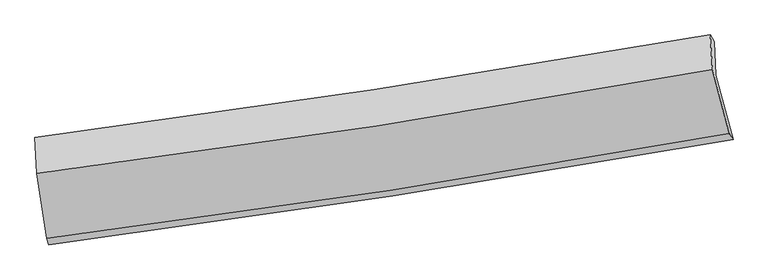
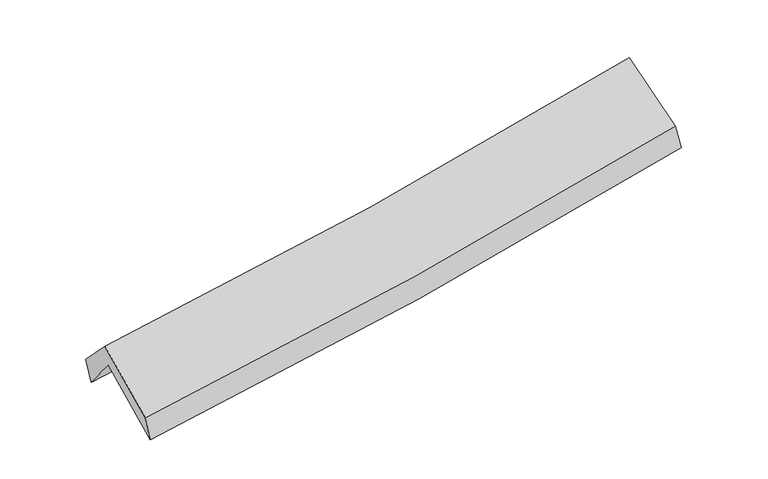
"""IFC4 building model written with IfcOpenShell, lengths in millimetres: proxy geometry."""

from ifc_helpers import new_model, si_unit, frame, origin, place, context, project, spatial, source, transform, mapped, element, save
from ifc_brep_helpers import plane_surface, spline_curve, spline_surface, advanced_brep


def generic_models_077eb288(model_context):
    return source(origin(), model_context, "Body", "AdvancedBrep", [
        advanced_brep(
        [(-2538.8898775, -2487.2467768, 1480.7630482), (-2617.4061624, -1969.1745928, 1904.6563461), (2550.6750724, -1186.5989637, 2362.9418898), (2684.5321885, -1681.9158498, 1933.45822), (-2627.456071, -1724.8435047, 1592.7750322), (2540.8758191, -934.3692839, 2041.6253316), (-2643.8924846, -1666.502895, 1784.5779376), (2509.5070952, -880.3583793, 2243.6462348), (-2629.072876, -1940.1574774, 2066.2901143), (2527.0859489, -1147.6517844, 2517.586288), (-2554.150627, -2435.976464, 1664.8056812), (2656.1792566, -1635.77864, 2120.4360159)],
        [
            (0, 1),
            (1, 2, spline_curve(3, [(-2617.4061624, -1969.1745928, 1904.6563461), (-1748.745987909, -1862.505749153, 1960.15253428), (-882.822873515, -1743.790723905, 2026.195772089), (839.847446023, -1482.829081861, 2179.047888581), (1696.618076313, -1340.685564227, 2265.766498411), (2550.6750724, -1186.5989637, 2362.9418898)], [4, 2, 4], [0.0, 8.674732036770058, 17.312262317409164])),
            (2, 3),
            (3, 0, spline_curve(3, [(2684.5321885, -1681.9158498, 1933.45822), (1820.976895386, -1835.208177304, 1833.600700117), (954.85497402, -1978.841839261, 1746.002008493), (-786.263558275, -2247.368860301, 1594.997793071), (-1661.282325591, -2372.178840727, 1531.698094082), (-2538.8898775, -2487.2467768, 1480.7630482)], [4, 2, 4], [0.0, 8.637530280639107, 17.312262317409164])),
            (1, 4),
            (4, 5, spline_curve(3, [(-2627.456071, -1724.8435047, 1592.7750322), (-1758.869157504, -1614.254196181, 1643.531520765), (-892.96161691, -1492.922102763, 1706.42034811), (829.792748015, -1229.338752306, 1856.140951167), (1686.662503928, -1087.179438573, 1942.86889008), (2540.8758191, -934.3692839, 2041.6253316)], [4, 2, 4], [0.0, 8.62809331399969, 17.21918488293314])),
            (5, 2),
            (4, 6),
            (6, 7, spline_curve(3, [(-2643.8924846, -1666.502895, 1784.5779376), (-1778.067429983, -1553.337049931, 1835.532016547), (-914.787564368, -1431.081817833, 1899.374590398), (802.990512257, -1168.955852908, 2052.507664131), (1657.510506557, -1029.162913478, 2141.687856164), (2509.5070952, -880.3583793, 2243.6462348)], [4, 2, 4], [0.0, 8.616679722392504, 17.196406647127144])),
            (7, 5),
            (6, 8),
            (8, 9, spline_curve(3, [(-2629.072876, -1940.1574774, 2066.2901143), (-1762.582597471, -1830.281290204, 2121.031599437), (-898.739908323, -1709.134973599, 2186.11334336), (819.957040278, -1444.869952091, 2336.633899923), (1674.833959217, -1301.847704355, 2421.984213929), (2527.0859489, -1147.6517844, 2517.586288)], [4, 2, 4], [0.0, 8.607146653639468, 17.177381392370812])),
            (9, 7),
            (8, 10),
            (10, 11, spline_curve(3, [(-2554.150627, -2435.976464, 1664.8056812), (-1678.571068196, -2325.043887312, 1720.083360862), (-805.659827694, -2202.726742139, 1785.795359751), (931.093963089, -1935.896697445, 1937.76144169), (1794.959350284, -1791.48123474, 2023.926220807), (2656.1792566, -1635.77864, 2120.4360159)], [4, 2, 4], [0.0, 8.654705643139147, 17.27229541372379])),
            (11, 9),
            (10, 0),
            (3, 11),
        ],
        [
            spline_surface(3, 3, [[(-2538.8898775, -2487.2467768, 1480.7630482), (-1661.282325477, -2372.178840794, 1531.69809421), (-786.263558211, -2247.368860305, 1594.997793136), (954.854973956, -1978.841839257, 1746.002008428), (1820.976895365, -1835.208177396, 1833.600700123), (2684.5321885, -1681.9158498, 1933.45822)], [(-2565.061972479, -2314.556048799, 1622.060814159), (-1690.436879663, -2202.287810259, 1674.516240878), (-818.449996626, -2079.509481501, 1738.730452824), (916.519131291, -1813.504253446, 1890.350635138), (1779.523955692, -1670.36730628, 1977.655966246), (2639.913149807, -1516.810221076, 2076.619443252)], [(-2591.234067421, -2141.865320801, 1763.358580141), (-1719.591433811, -2032.396779726, 1817.33438757), (-850.63643504, -1911.650102721, 1882.463112467), (878.183288628, -1648.16666766, 2034.699261805), (1738.071015999, -1505.526435235, 2121.711232412), (2595.294111093, -1351.704592424, 2219.780666548)], [(-2617.4061624, -1969.1745928, 1904.6563461), (-1748.745987997, -1862.505749191, 1960.152534238), (-882.822873455, -1743.790723917, 2026.195772154), (839.847445963, -1482.829081849, 2179.047888516), (1696.618076325, -1340.685564119, 2265.766498535), (2550.6750724, -1186.5989637, 2362.9418898)]], [4, 4], [4, 2, 4], [0.0, 2.195270325738701], [0.0, 8.674732036770058, 17.312262317409164]),
            spline_surface(3, 3, [[(-2617.4061624, -1969.1745928, 1904.6563461), (-1748.745987997, -1862.505749191, 1960.152534238), (-882.822873455, -1743.790723917, 2026.195772154), (839.847445963, -1482.829081849, 2179.047888516), (1696.618076325, -1340.685564119, 2265.766498535), (2550.6750724, -1186.5989637, 2362.9418898)], [(-2620.75613194, -1887.730896766, 1800.695908128), (-1752.120377849, -1779.755231521, 1854.612196399), (-886.202454623, -1660.16785024, 1919.603964157), (836.495879957, -1398.33230532, 2071.412242689), (1693.299552223, -1256.183522307, 2158.133962394), (2547.408654624, -1102.522403797, 2255.836370411)], [(-2624.10610146, -1806.287200734, 1696.735470172), (-1755.494767683, -1697.004713853, 1749.071858575), (-889.582035732, -1576.544976523, 1813.012156199), (833.144314011, -1313.835528752, 1963.776596902), (1689.981028149, -1171.681480405, 2050.501426221), (2544.142236876, -1018.445843803, 2148.730850989)], [(-2627.456071, -1724.8435047, 1592.7750322), (-1758.869157535, -1614.254196182, 1643.531520736), (-892.9616169, -1492.922102846, 1706.420348201), (829.792748005, -1229.338752223, 1856.140951076), (1686.662504046, -1087.179438593, 1942.86889008), (2540.8758191, -934.3692839, 2041.6253316)]], [4, 4], [4, 2, 4], [0.0, 1.340532875435137], [0.0, 8.62809331399969, 17.21918488293314]),
            spline_surface(3, 3, [[(-2627.456071, -1724.8435047, 1592.7750322), (-1758.869157535, -1614.254196182, 1643.531520736), (-892.9616169, -1492.922102846, 1706.420348201), (829.792748005, -1229.338752223, 1856.140951076), (1686.662504046, -1087.179438593, 1942.86889008), (2540.8758191, -934.3692839, 2041.6253316)], [(-2632.934875521, -1705.396634796, 1656.709334005), (-1765.268581694, -1593.948480783, 1707.531686048), (-900.236932689, -1472.308674498, 1770.738428922), (820.858669432, -1209.211119161, 1921.596522102), (1676.945171508, -1067.840596817, 2009.141878779), (2530.419577793, -916.365649007, 2108.96563265)], [(-2638.413680079, -1685.949764904, 1720.643635795), (-1771.66800589, -1573.642765397, 1771.531851346), (-907.512248542, -1451.6952461, 1835.056509649), (811.924590794, -1189.08348605, 1987.052093134), (1667.227838991, -1048.50175512, 2075.414867529), (2519.963336507, -898.362014193, 2176.30593375)], [(-2643.8924846, -1666.502895, 1784.5779376), (-1778.067430049, -1553.337049997, 1835.532016658), (-914.787564331, -1431.081817753, 1899.37459037), (802.990512221, -1168.955852988, 2052.50766416), (1657.510506452, -1029.162913344, 2141.687856227), (2509.5070952, -880.3583793, 2243.6462348)]], [4, 4], [4, 2, 4], [0.0, 0.6740949452760371], [0.0, 8.616679722392504, 17.196406647127144]),
            spline_surface(3, 3, [[(-2643.8924846, -1666.502895, 1784.5779376), (-1778.067430049, -1553.337049997, 1835.532016658), (-914.787564331, -1431.081817753, 1899.37459037), (802.990512221, -1168.955852988, 2052.50766416), (1657.510506452, -1029.162913344, 2141.687856227), (2509.5070952, -880.3583793, 2243.6462348)], [(-2638.952615071, -1757.721089125, 1878.481996489), (-1772.905819236, -1645.651796722, 1930.69854426), (-909.438345667, -1523.766203013, 1994.954174727), (808.646021545, -1260.927219372, 2147.216409429), (1663.284990721, -1120.057843717, 2235.119975473), (2515.366713115, -969.456180998, 2334.959585881)], [(-2634.012745529, -1848.939283275, 1972.386055411), (-1767.744208409, -1737.966543473, 2025.865071895), (-904.089126952, -1616.450588281, 2090.53375902), (814.301530919, -1352.898585764, 2241.925154636), (1669.059474943, -1210.952774095, 2328.552094676), (2521.226330985, -1058.553982702, 2426.272936919)], [(-2629.072876, -1940.1574774, 2066.2901143), (-1762.582597596, -1830.281290198, 2121.031599496), (-898.739908288, -1709.134973542, 2186.113343377), (819.957040243, -1444.869952148, 2336.633899906), (1674.833959211, -1301.847704468, 2421.984213921), (2527.0859489, -1147.6517844, 2517.586288)]], [4, 4], [4, 2, 4], [0.0, 1.3060453401593992], [0.0, 8.607146653639468, 17.177381392370812]),
            spline_surface(3, 3, [[(-2629.072876, -1940.1574774, 2066.2901143), (-1762.582597596, -1830.281290198, 2121.031599496), (-898.739908288, -1709.134973542, 2186.113343377), (819.957040243, -1444.869952148, 2336.633899906), (1674.833959211, -1301.847704468, 2421.984213921), (2527.0859489, -1147.6517844, 2517.586288)], [(-2604.098792984, -2105.43047296, 1932.461969935), (-1734.578754432, -1995.202155887, 1987.382186595), (-867.713214725, -1873.665563044, 2052.674015507), (857.002681181, -1608.545533946, 2203.676413821), (1714.875756265, -1465.05888123, 2289.298216244), (2570.117051459, -1310.360736292, 2385.202863955)], [(-2579.124710016, -2270.70346844, 1798.633825565), (-1706.574911315, -2160.123021495, 1853.73277369), (-836.686521194, -2038.196152542, 1919.234687649), (894.048322089, -1772.221115741, 2070.718927747), (1754.917553343, -1628.270057917, 2156.612218603), (2613.148154041, -1473.069688108, 2252.819439945)], [(-2554.150627, -2435.976464, 1664.8056812), (-1678.571068151, -2325.043887183, 1720.083360789), (-805.659827632, -2202.726742045, 1785.795359779), (931.093963028, -1935.89669754, 1937.761441661), (1794.959350398, -1791.481234679, 2023.926220926), (2656.1792566, -1635.77864, 2120.4360159)]], [4, 4], [4, 2, 4], [0.0, 2.107083186695909], [0.0, 8.654705643139147, 17.27229541372379]),
            spline_surface(3, 3, [[(-2554.150627, -2435.976464, 1664.8056812), (-1678.571068151, -2325.043887183, 1720.083360789), (-805.659827632, -2202.726742045, 1785.795359779), (931.093963028, -1935.89669754, 1937.761441661), (1794.959350398, -1791.481234679, 2023.926220926), (2656.1792566, -1635.77864, 2120.4360159)], [(-2549.063710505, -2453.066568254, 1603.458136885), (-1672.808153931, -2340.755538374, 1657.288271947), (-799.194404487, -2217.607448111, 1722.196170881), (939.014300009, -1950.211744758, 1873.841630567), (1803.631865389, -1806.056882248, 1960.484380676), (2665.630233902, -1651.15770993, 2058.110083951)], [(-2543.976793995, -2470.156672546, 1542.110592515), (-1667.045239697, -2356.467189603, 1594.493183051), (-792.728981356, -2232.488154238, 1658.596982034), (946.934636975, -1964.526792038, 1809.921819523), (1812.304380374, -1820.632529827, 1897.042540373), (2675.081211198, -1666.53677987, 1995.784151949)], [(-2538.8898775, -2487.2467768, 1480.7630482), (-1661.282325477, -2372.178840794, 1531.69809421), (-786.263558211, -2247.368860305, 1594.997793136), (954.854973956, -1978.841839257, 1746.002008428), (1820.976895365, -1835.208177396, 1833.600700123), (2684.5321885, -1681.9158498, 1933.45822)]], [4, 4], [4, 2, 4], [0.0, 0.6476655516734995], [0.0, 8.710868045897575, 17.384379365690094]),
            plane_surface(frame((2578.1425635, -1244.4454835, 2203.28233), z_axis=(0.9792424543821674, 0.17286758006059744, 0.10583484917352065), x_axis=(0.20095873348249324, -0.759863981026714, -0.6182413103112294))),
            plane_surface(frame((-2601.8113497, -2037.3169518, 1748.9780266), z_axis=(-0.9928111208051368, -0.10764273834372706, -0.052336596063484994), x_axis=(-0.07962442821499885, 0.26750778801129677, 0.9602601386003367))),
        ],
        [
            (0, [[1, 2, 3, 4]]),
            (1, [[5, 6, 7, -2]]),
            (2, [[8, 9, 10, -6]]),
            (3, [[11, 12, 13, -9]]),
            (4, [[14, 15, 16, -12]]),
            (5, [[17, -4, 18, -15]]),
            (6, [[-16, -18, -3, -7, -10, -13]]),
            (7, [[-17, -14, -11, -8, -5, -1]]),
        ],
    ),
    ])


if __name__ == "__main__":
    model = new_model("IFC4")
    model_context = context("Model", 3, world=origin())
    ifc_project = project(units=[si_unit("LENGTHUNIT", "METRE", prefix="MILLI")], contexts=[model_context])
    site = spatial("IfcSite", under=ifc_project)
    building = spatial("IfcBuilding", under=site)
    placement = place(None, origin())
    generic_models_shape = generic_models_077eb288(model_context)
    element("IfcBuildingElementProxy", 1, Name="Generic Models", at=placement, inside=building, context=model_context, shape_type="MappedRepresentation", body=[
        mapped(generic_models_shape, transform((0.0, 0.0, 0.0), x_axis=(1.0, 0.0, 0.0), y_axis=(0.0, 1.0, 0.0), z_axis=(0.0, 0.0, 1.0))),
    ])
    save(model, "model.ifc")
